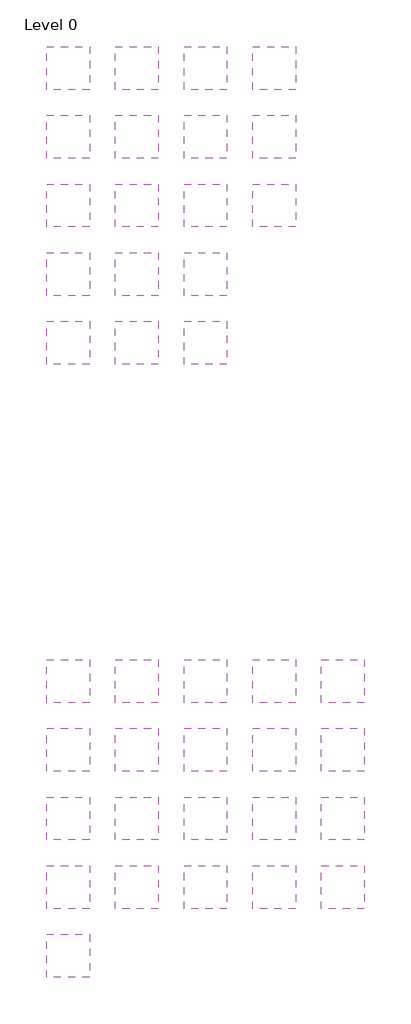
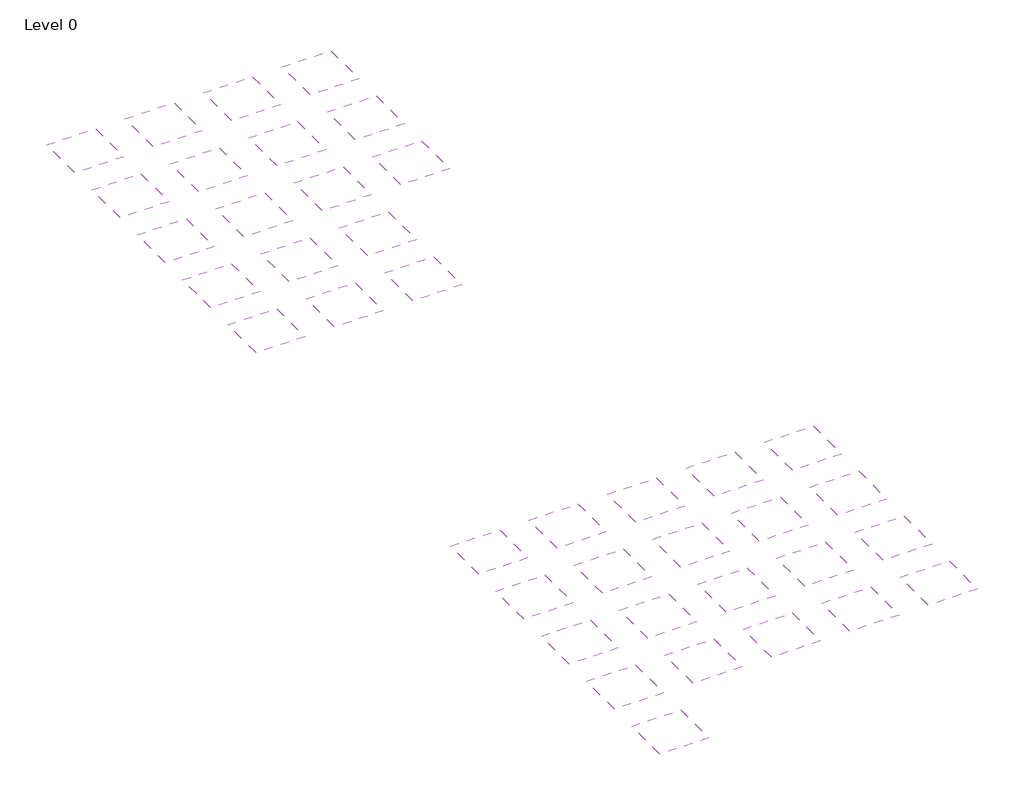
# One storey: 39 coverings.
"""IFC4 building model written with IfcOpenShell, lengths in millimetres."""

from ifc_helpers import new_model, si_unit, frame, origin, place, context, project, spatial, polyline, outline, extrude, element, save

model = new_model("IFC4")

# Units and contexts
model_context = context("Model", 3, world=origin())
ifc_project = project(units=[si_unit("LENGTHUNIT", "METRE", prefix="MILLI")], contexts=[model_context])

# Site, building, storey
site = spatial("IfcSite", under=ifc_project)
building = spatial("IfcBuilding", under=site)
storey = spatial("IfcBuildingStorey", under=building, Name="Level 0", Elevation=0.0)

# Coverings
placement = place(None, origin())
element("IfcCovering", 1, at=placement, inside=storey, context=model_context, shape_type="SweptSolid", body=[
    extrude(outline(polyline([(-9016.8087978, 4248.1093759), (-9016.8087978, 3748.1093759), (-9516.8087978, 3748.1093759), (-9516.8087978, 4248.1093759), (-9016.8087978, 4248.1093759)])), frame((0.0, 0.0, 4000.0), z_axis=(0.0, 0.0, 1.0), x_axis=(1.0, 0.0, 0.0)), (0.0, 0.0, 1.0), 100.0),
])
element("IfcCovering", 2, at=placement, inside=storey, context=model_context, shape_type="SweptSolid", body=[
    extrude(outline(polyline([(-8216.8087978, 4248.1093759), (-8216.8087978, 3748.1093759), (-8716.8087978, 3748.1093759), (-8716.8087978, 4248.1093759), (-8216.8087978, 4248.1093759)])), frame((0.0, 0.0, 4000.0), z_axis=(0.0, 0.0, 1.0), x_axis=(1.0, 0.0, 0.0)), (0.0, 0.0, 1.0), 110.0),
])
element("IfcCovering", 3, at=placement, inside=storey, context=model_context, shape_type="SweptSolid", body=[
    extrude(outline(polyline([(-7416.8087978, 4248.1093759), (-7416.8087978, 3748.1093759), (-7916.8087978, 3748.1093759), (-7916.8087978, 4248.1093759), (-7416.8087978, 4248.1093759)])), frame((0.0, 0.0, 4000.0), z_axis=(0.0, 0.0, 1.0), x_axis=(1.0, 0.0, 0.0)), (0.0, 0.0, 1.0), 120.0),
])
element("IfcCovering", 4, at=placement, inside=storey, context=model_context, shape_type="SweptSolid", body=[
    extrude(outline(polyline([(-6616.8087978, 4248.1093759), (-6616.8087978, 3748.1093759), (-7116.8087978, 3748.1093759), (-7116.8087978, 4248.1093759), (-6616.8087978, 4248.1093759)])), frame((0.0, 0.0, 4000.0), z_axis=(0.0, 0.0, 1.0), x_axis=(1.0, 0.0, 0.0)), (0.0, 0.0, 1.0), 130.0),
])
element("IfcCovering", 5, at=placement, inside=storey, context=model_context, shape_type="SweptSolid", body=[
    extrude(outline(polyline([(-9816.8087978, 3448.1093759), (-9816.8087978, 2948.1093759), (-10316.8087978, 2948.1093759), (-10316.8087978, 3448.1093759), (-9816.8087978, 3448.1093759)])), frame((0.0, 0.0, 4000.0), z_axis=(0.0, 0.0, 1.0), x_axis=(1.0, 0.0, 0.0)), (0.0, 0.0, 1.0), 140.0),
])
element("IfcCovering", 6, at=placement, inside=storey, context=model_context, shape_type="SweptSolid", body=[
    extrude(outline(polyline([(-9016.8087978, 3448.1093759), (-9016.8087978, 2948.1093759), (-9516.8087978, 2948.1093759), (-9516.8087978, 3448.1093759), (-9016.8087978, 3448.1093759)])), frame((0.0, 0.0, 4000.0), z_axis=(0.0, 0.0, 1.0), x_axis=(1.0, 0.0, 0.0)), (0.0, 0.0, 1.0), 150.0),
])
element("IfcCovering", 7, at=placement, inside=storey, context=model_context, shape_type="SweptSolid", body=[
    extrude(outline(polyline([(-8216.8087978, 3448.1093759), (-8216.8087978, 2948.1093759), (-8716.8087978, 2948.1093759), (-8716.8087978, 3448.1093759), (-8216.8087978, 3448.1093759)])), frame((0.0, 0.0, 4000.0), z_axis=(0.0, 0.0, 1.0), x_axis=(1.0, 0.0, 0.0)), (0.0, 0.0, 1.0), 160.0),
])
element("IfcCovering", 8, at=placement, inside=storey, context=model_context, shape_type="SweptSolid", body=[
    extrude(outline(polyline([(-7416.8087978, 3448.1093759), (-7416.8087978, 2948.1093759), (-7916.8087978, 2948.1093759), (-7916.8087978, 3448.1093759), (-7416.8087978, 3448.1093759)])), frame((0.0, 0.0, 4000.0), z_axis=(0.0, 0.0, 1.0), x_axis=(1.0, 0.0, 0.0)), (0.0, 0.0, 1.0), 170.0),
])
element("IfcCovering", 9, at=placement, inside=storey, context=model_context, shape_type="SweptSolid", body=[
    extrude(outline(polyline([(-6616.8087978, 3448.1093759), (-6616.8087978, 2948.1093759), (-7116.8087978, 2948.1093759), (-7116.8087978, 3448.1093759), (-6616.8087978, 3448.1093759)])), frame((0.0, 0.0, 4000.0), z_axis=(0.0, 0.0, 1.0), x_axis=(1.0, 0.0, 0.0)), (0.0, 0.0, 1.0), 180.0),
])
element("IfcCovering", 10, at=placement, inside=storey, context=model_context, shape_type="SweptSolid", body=[
    extrude(outline(polyline([(-9816.8087978, 2648.1093759), (-9816.8087978, 2148.1093759), (-10316.8087978, 2148.1093759), (-10316.8087978, 2648.1093759), (-9816.8087978, 2648.1093759)])), frame((0.0, 0.0, 4000.0), z_axis=(0.0, 0.0, 1.0), x_axis=(1.0, 0.0, 0.0)), (0.0, 0.0, 1.0), 190.0),
])
element("IfcCovering", 11, at=placement, inside=storey, context=model_context, shape_type="SweptSolid", body=[
    extrude(outline(polyline([(-9016.8087978, 2648.1093759), (-9016.8087978, 2148.1093759), (-9516.8087978, 2148.1093759), (-9516.8087978, 2648.1093759), (-9016.8087978, 2648.1093759)])), frame((0.0, 0.0, 4000.0), z_axis=(0.0, 0.0, 1.0), x_axis=(1.0, 0.0, 0.0)), (0.0, 0.0, 1.0), 200.0),
])
element("IfcCovering", 12, at=placement, inside=storey, context=model_context, shape_type="SweptSolid", body=[
    extrude(outline(polyline([(-8216.8087978, 2648.1093759), (-8216.8087978, 2148.1093759), (-8716.8087978, 2148.1093759), (-8716.8087978, 2648.1093759), (-8216.8087978, 2648.1093759)])), frame((0.0, 0.0, 4000.0), z_axis=(0.0, 0.0, 1.0), x_axis=(1.0, 0.0, 0.0)), (0.0, 0.0, 1.0), 210.0),
])
element("IfcCovering", 13, at=placement, inside=storey, context=model_context, shape_type="SweptSolid", body=[
    extrude(outline(polyline([(-7416.8087978, 2648.1093759), (-7416.8087978, 2148.1093759), (-7916.8087978, 2148.1093759), (-7916.8087978, 2648.1093759), (-7416.8087978, 2648.1093759)])), frame((0.0, 0.0, 4000.0), z_axis=(0.0, 0.0, 1.0), x_axis=(1.0, 0.0, 0.0)), (0.0, 0.0, 1.0), 220.0),
])
element("IfcCovering", 14, at=placement, inside=storey, context=model_context, shape_type="SweptSolid", body=[
    extrude(outline(polyline([(-6616.8087978, 2648.1093759), (-6616.8087978, 2148.1093759), (-7116.8087978, 2148.1093759), (-7116.8087978, 2648.1093759), (-6616.8087978, 2648.1093759)])), frame((0.0, 0.0, 4000.0), z_axis=(0.0, 0.0, 1.0), x_axis=(1.0, 0.0, 0.0)), (0.0, 0.0, 1.0), 230.0),
])
element("IfcCovering", 15, at=placement, inside=storey, context=model_context, shape_type="SweptSolid", body=[
    extrude(outline(polyline([(-9816.8087978, 1848.1093759), (-9816.8087978, 1348.1093759), (-10316.8087978, 1348.1093759), (-10316.8087978, 1848.1093759), (-9816.8087978, 1848.1093759)])), frame((0.0, 0.0, 4000.0), z_axis=(0.0, 0.0, 1.0), x_axis=(1.0, 0.0, 0.0)), (0.0, 0.0, 1.0), 240.0),
])
element("IfcCovering", 16, at=placement, inside=storey, context=model_context, shape_type="SweptSolid", body=[
    extrude(outline(polyline([(-9016.8087978, 5048.1093759), (-9016.8087978, 4548.1093759), (-9516.8087978, 4548.1093759), (-9516.8087978, 5048.1093759), (-9016.8087978, 5048.1093759)])), frame((0.0, 0.0, 4000.0), z_axis=(0.0, 0.0, 1.0), x_axis=(1.0, 0.0, 0.0)), (0.0, 0.0, 1.0), 50.0),
])
element("IfcCovering", 17, at=placement, inside=storey, context=model_context, shape_type="SweptSolid", body=[
    extrude(outline(polyline([(-8216.8087978, 5048.1093759), (-8216.8087978, 4548.1093759), (-8716.8087978, 4548.1093759), (-8716.8087978, 5048.1093759), (-8216.8087978, 5048.1093759)])), frame((0.0, 0.0, 4000.0), z_axis=(0.0, 0.0, 1.0), x_axis=(1.0, 0.0, 0.0)), (0.0, 0.0, 1.0), 60.0),
])
element("IfcCovering", 18, at=placement, inside=storey, context=model_context, shape_type="SweptSolid", body=[
    extrude(outline(polyline([(-7416.8087978, 5048.1093759), (-7416.8087978, 4548.1093759), (-7916.8087978, 4548.1093759), (-7916.8087978, 5048.1093759), (-7416.8087978, 5048.1093759)])), frame((0.0, 0.0, 4000.0), z_axis=(0.0, 0.0, 1.0), x_axis=(1.0, 0.0, 0.0)), (0.0, 0.0, 1.0), 70.0),
])
element("IfcCovering", 19, at=placement, inside=storey, context=model_context, shape_type="SweptSolid", body=[
    extrude(outline(polyline([(-6616.8087978, 5048.1093759), (-6616.8087978, 4548.1093759), (-7116.8087978, 4548.1093759), (-7116.8087978, 5048.1093759), (-6616.8087978, 5048.1093759)])), frame((0.0, 0.0, 4000.0), z_axis=(0.0, 0.0, 1.0), x_axis=(1.0, 0.0, 0.0)), (0.0, 0.0, 1.0), 80.0),
])
element("IfcCovering", 20, at=placement, inside=storey, context=model_context, shape_type="SweptSolid", body=[
    extrude(outline(polyline([(-9816.8087978, 4248.1093759), (-9816.8087978, 3748.1093759), (-10316.8087978, 3748.1093759), (-10316.8087978, 4248.1093759), (-9816.8087978, 4248.1093759)])), frame((0.0, 0.0, 4000.0), z_axis=(0.0, 0.0, 1.0), x_axis=(1.0, 0.0, 0.0)), (0.0, 0.0, 1.0), 90.0),
])
element("IfcCovering", 21, at=placement, inside=storey, context=model_context, shape_type="SweptSolid", body=[
    extrude(outline(polyline([(-9816.8087978, 5048.1093759), (-9816.8087978, 4548.1093759), (-10316.8087978, 4548.1093759), (-10316.8087978, 5048.1093759), (-9816.8087978, 5048.1093759)])), frame((0.0, 0.0, 4000.0), z_axis=(0.0, 0.0, 1.0), x_axis=(1.0, 0.0, 0.0)), (0.0, 0.0, 1.0), 40.0),
])
element("IfcCovering", 22, at=placement, inside=storey, context=model_context, shape_type="SweptSolid", body=[
    extrude(outline(polyline([(-9016.8087978, 12183.1093759), (-9016.8087978, 11683.1093759), (-9516.8087978, 11683.1093759), (-9516.8087978, 12183.1093759), (-9016.8087978, 12183.1093759)])), frame((0.0, 0.0, 4000.0), z_axis=(0.0, 0.0, 1.0), x_axis=(1.0, 0.0, 0.0)), (0.0, 0.0, 1.0), 40.0),
])
element("IfcCovering", 23, at=placement, inside=storey, context=model_context, shape_type="SweptSolid", body=[
    extrude(outline(polyline([(-9816.8087978, 11383.1093759), (-9816.8087978, 10883.1093759), (-10316.8087978, 10883.1093759), (-10316.8087978, 11383.1093759), (-9816.8087978, 11383.1093759)])), frame((0.0, 0.0, 4000.0), z_axis=(0.0, 0.0, 1.0), x_axis=(1.0, 0.0, 0.0)), (0.0, 0.0, 1.0), 44.0),
])
element("IfcCovering", 24, at=placement, inside=storey, context=model_context, shape_type="SweptSolid", body=[
    extrude(outline(polyline([(-9816.8087978, 12183.1093759), (-9816.8087978, 11683.1093759), (-10316.8087978, 11683.1093759), (-10316.8087978, 12183.1093759), (-9816.8087978, 12183.1093759)])), frame((0.0, 0.0, 4000.0), z_axis=(0.0, 0.0, 1.0), x_axis=(1.0, 0.0, 0.0)), (0.0, 0.0, 1.0), 44.0),
])
element("IfcCovering", 25, at=placement, inside=storey, context=model_context, shape_type="SweptSolid", body=[
    extrude(outline(polyline([(-9816.8087978, 10583.1093759), (-9816.8087978, 10083.1093759), (-10316.8087978, 10083.1093759), (-10316.8087978, 10583.1093759), (-9816.8087978, 10583.1093759)])), frame((0.0, 0.0, 4000.0), z_axis=(0.0, 0.0, 1.0), x_axis=(1.0, 0.0, 0.0)), (0.0, 0.0, 1.0), 44.0),
])
element("IfcCovering", 26, at=placement, inside=storey, context=model_context, shape_type="SweptSolid", body=[
    extrude(outline(polyline([(-9816.8087978, 9783.1093759), (-9816.8087978, 9283.1093759), (-10316.8087978, 9283.1093759), (-10316.8087978, 9783.1093759), (-9816.8087978, 9783.1093759)])), frame((0.0, 0.0, 4000.0), z_axis=(0.0, 0.0, 1.0), x_axis=(1.0, 0.0, 0.0)), (0.0, 0.0, 1.0), 44.0),
])
element("IfcCovering", 27, at=placement, inside=storey, context=model_context, shape_type="SweptSolid", body=[
    extrude(outline(polyline([(-9816.8087978, 8983.1093759), (-9816.8087978, 8483.1093759), (-10316.8087978, 8483.1093759), (-10316.8087978, 8983.1093759), (-9816.8087978, 8983.1093759)])), frame((0.0, 0.0, 4000.0), z_axis=(0.0, 0.0, 1.0), x_axis=(1.0, 0.0, 0.0)), (0.0, 0.0, 1.0), 90.0),
])
element("IfcCovering", 28, at=placement, inside=storey, context=model_context, shape_type="SweptSolid", body=[
    extrude(outline(polyline([(-9016.8087978, 11383.1093759), (-9016.8087978, 10883.1093759), (-9516.8087978, 10883.1093759), (-9516.8087978, 11383.1093759), (-9016.8087978, 11383.1093759)])), frame((0.0, 0.0, 4000.0), z_axis=(0.0, 0.0, 1.0), x_axis=(1.0, 0.0, 0.0)), (0.0, 0.0, 1.0), 40.0),
])
element("IfcCovering", 29, at=placement, inside=storey, context=model_context, shape_type="SweptSolid", body=[
    extrude(outline(polyline([(-9016.8087978, 10583.1093759), (-9016.8087978, 10083.1093759), (-9516.8087978, 10083.1093759), (-9516.8087978, 10583.1093759), (-9016.8087978, 10583.1093759)])), frame((0.0, 0.0, 4000.0), z_axis=(0.0, 0.0, 1.0), x_axis=(1.0, 0.0, 0.0)), (0.0, 0.0, 1.0), 40.0),
])
element("IfcCovering", 30, at=placement, inside=storey, context=model_context, shape_type="SweptSolid", body=[
    extrude(outline(polyline([(-9016.8087978, 9783.1093759), (-9016.8087978, 9283.1093759), (-9516.8087978, 9283.1093759), (-9516.8087978, 9783.1093759), (-9016.8087978, 9783.1093759)])), frame((0.0, 0.0, 4000.0), z_axis=(0.0, 0.0, 1.0), x_axis=(1.0, 0.0, 0.0)), (0.0, 0.0, 1.0), 50.0),
])
element("IfcCovering", 31, at=placement, inside=storey, context=model_context, shape_type="SweptSolid", body=[
    extrude(outline(polyline([(-9016.8087978, 8983.1093759), (-9016.8087978, 8483.1093759), (-9516.8087978, 8483.1093759), (-9516.8087978, 8983.1093759), (-9016.8087978, 8983.1093759)])), frame((0.0, 0.0, 4000.0), z_axis=(0.0, 0.0, 1.0), x_axis=(1.0, 0.0, 0.0)), (0.0, 0.0, 1.0), 65.0),
])
element("IfcCovering", 32, at=placement, inside=storey, context=model_context, shape_type="SweptSolid", body=[
    extrude(outline(polyline([(-8216.8087978, 12183.1093759), (-8216.8087978, 11683.1093759), (-8716.8087978, 11683.1093759), (-8716.8087978, 12183.1093759), (-8216.8087978, 12183.1093759)])), frame((0.0, 0.0, 4000.0), z_axis=(0.0, 0.0, 1.0), x_axis=(1.0, 0.0, 0.0)), (0.0, 0.0, 1.0), 40.0),
])
element("IfcCovering", 33, at=placement, inside=storey, context=model_context, shape_type="SweptSolid", body=[
    extrude(outline(polyline([(-8216.8087978, 11383.1093759), (-8216.8087978, 10883.1093759), (-8716.8087978, 10883.1093759), (-8716.8087978, 11383.1093759), (-8216.8087978, 11383.1093759)])), frame((0.0, 0.0, 4000.0), z_axis=(0.0, 0.0, 1.0), x_axis=(1.0, 0.0, 0.0)), (0.0, 0.0, 1.0), 40.0),
])
element("IfcCovering", 34, at=placement, inside=storey, context=model_context, shape_type="SweptSolid", body=[
    extrude(outline(polyline([(-8216.8087978, 10583.1093759), (-8216.8087978, 10083.1093759), (-8716.8087978, 10083.1093759), (-8716.8087978, 10583.1093759), (-8216.8087978, 10583.1093759)])), frame((0.0, 0.0, 4000.0), z_axis=(0.0, 0.0, 1.0), x_axis=(1.0, 0.0, 0.0)), (0.0, 0.0, 1.0), 40.0),
])
element("IfcCovering", 35, at=placement, inside=storey, context=model_context, shape_type="SweptSolid", body=[
    extrude(outline(polyline([(-8216.8087978, 9783.1093759), (-8216.8087978, 9283.1093759), (-8716.8087978, 9283.1093759), (-8716.8087978, 9783.1093759), (-8216.8087978, 9783.1093759)])), frame((0.0, 0.0, 4000.0), z_axis=(0.0, 0.0, 1.0), x_axis=(1.0, 0.0, 0.0)), (0.0, 0.0, 1.0), 40.0),
])
element("IfcCovering", 36, at=placement, inside=storey, context=model_context, shape_type="SweptSolid", body=[
    extrude(outline(polyline([(-8216.8087978, 8983.1093759), (-8216.8087978, 8483.1093759), (-8716.8087978, 8483.1093759), (-8716.8087978, 8983.1093759), (-8216.8087978, 8983.1093759)])), frame((0.0, 0.0, 4000.0), z_axis=(0.0, 0.0, 1.0), x_axis=(1.0, 0.0, 0.0)), (0.0, 0.0, 1.0), 55.0),
])
element("IfcCovering", 37, at=placement, inside=storey, context=model_context, shape_type="SweptSolid", body=[
    extrude(outline(polyline([(-7416.8087978, 12183.1093759), (-7416.8087978, 11683.1093759), (-7916.8087978, 11683.1093759), (-7916.8087978, 12183.1093759), (-7416.8087978, 12183.1093759)])), frame((0.0, 0.0, 4000.0), z_axis=(0.0, 0.0, 1.0), x_axis=(1.0, 0.0, 0.0)), (0.0, 0.0, 1.0), 44.0),
])
element("IfcCovering", 38, at=placement, inside=storey, context=model_context, shape_type="SweptSolid", body=[
    extrude(outline(polyline([(-7416.8087978, 11383.1093759), (-7416.8087978, 10883.1093759), (-7916.8087978, 10883.1093759), (-7916.8087978, 11383.1093759), (-7416.8087978, 11383.1093759)])), frame((0.0, 0.0, 4000.0), z_axis=(0.0, 0.0, 1.0), x_axis=(1.0, 0.0, 0.0)), (0.0, 0.0, 1.0), 44.0),
])
element("IfcCovering", 39, at=placement, inside=storey, context=model_context, shape_type="SweptSolid", body=[
    extrude(outline(polyline([(-7416.8087978, 10583.1093759), (-7416.8087978, 10083.1093759), (-7916.8087978, 10083.1093759), (-7916.8087978, 10583.1093759), (-7416.8087978, 10583.1093759)])), frame((0.0, 0.0, 4000.0), z_axis=(0.0, 0.0, 1.0), x_axis=(1.0, 0.0, 0.0)), (0.0, 0.0, 1.0), 44.0),
])

save(model, "model.ifc")
